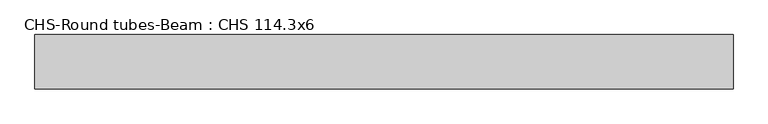
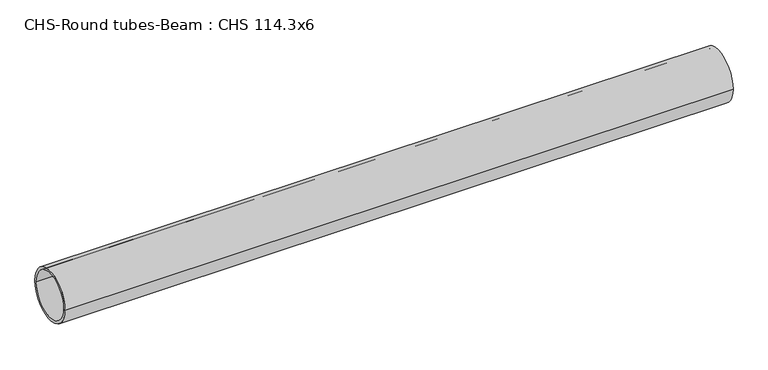
"""IFC4 building model written with IfcOpenShell, lengths in millimetres: beam geometry, CHS-Round tubes-Beam : CHS 114.3x6."""

from ifc_helpers import new_model, si_unit, point, frame, origin, origin_2d, place, context, project, spatial, circle_curve, trimmed, segment, composite_curve, outline, extrude, source, transform, mapped, element, save


def chs_round_tubes_beam_chs_114_3x6_0463fd36(model_context):
    return source(origin(), model_context, "Body", "SweptSolid", [
        extrude(outline(composite_curve([segment(trimmed(circle_curve(origin_2d(), 57.15), [point((57.15, 0.0))], [point((-57.15, 0.0))], False, "CARTESIAN"), True, "CONTINUOUS"), segment(trimmed(circle_curve(origin_2d(), 57.15), [point((-57.15, 0.0))], [point((57.15, 0.0))], False, "CARTESIAN"), True, "CONTINUOUS")], self_intersect=False), holes=[composite_curve([segment(trimmed(circle_curve(origin_2d(), 51.15), [point((51.15, 0.0))], [point((-51.15, 0.0))], True, "CARTESIAN"), True, "CONTINUOUS"), segment(trimmed(circle_curve(origin_2d(), 51.15), [point((-51.15, 0.0))], [point((51.15, 0.0))], True, "CARTESIAN"), True, "CONTINUOUS")], self_intersect=False)]), frame((-770.3663195, 0.0, 0.0), z_axis=(1.0, 0.0, 0.0), x_axis=(0.0, 1.0, 0.0)), (0.0, 0.0, 1.0), 1470.4437261),
    ])


if __name__ == "__main__":
    model = new_model("IFC4")
    model_context = context("Model", 3, world=origin())
    ifc_project = project(units=[si_unit("LENGTHUNIT", "METRE", prefix="MILLI")], contexts=[model_context])
    site = spatial("IfcSite", under=ifc_project)
    building = spatial("IfcBuilding", under=site)
    placement = place(None, origin())
    chs_round_tubes_beam_chs_114_3x6_shape = chs_round_tubes_beam_chs_114_3x6_0463fd36(model_context)
    element("IfcBeam", 1, ObjectType="CHS-Round tubes-Beam : CHS 114.3x6", at=placement, inside=building, context=model_context, shape_type="MappedRepresentation", body=[
        mapped(chs_round_tubes_beam_chs_114_3x6_shape, transform((0.0, 0.0, 0.0), x_axis=(1.0, 0.0, 0.0), y_axis=(0.0, 1.0, 0.0), z_axis=(0.0, 0.0, 1.0))),
    ])
    save(model, "model.ifc")
